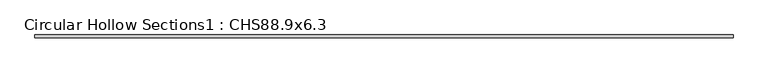
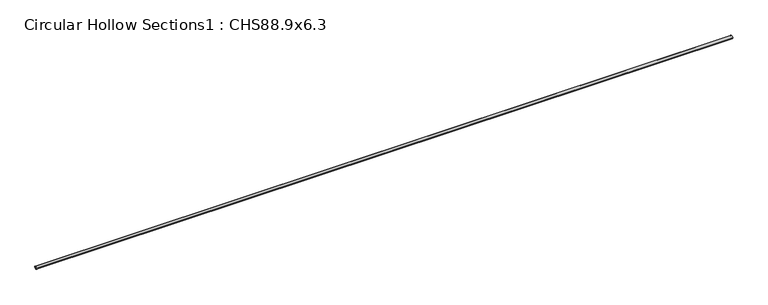
"""IFC4 building model written with IfcOpenShell, lengths in millimetres: beam geometry, Circular Hollow Sections1 : CHS88.9x6.3."""

from ifc_helpers import new_model, si_unit, point, frame, origin, origin_2d, place, context, project, spatial, circle_curve, trimmed, segment, composite_curve, outline, extrude, source, transform, mapped, element, save


def circular_hollow_sections1_chs88_9x6_3_8f8559a8(model_context):
    return source(origin(), model_context, "Body", "SweptSolid", [
        extrude(outline(composite_curve([segment(trimmed(circle_curve(origin_2d(), 44.45), [point((-44.45, 0.0))], [point((44.45, 0.0))], False, "CARTESIAN"), True, "CONTINUOUS"), segment(trimmed(circle_curve(origin_2d(), 44.45), [point((44.45, 0.0))], [point((-44.45, 0.0))], False, "CARTESIAN"), True, "CONTINUOUS")], self_intersect=False), holes=[composite_curve([segment(trimmed(circle_curve(origin_2d(), 38.15), [point((38.15, 0.0))], [point((-38.15, 0.0))], True, "CARTESIAN"), True, "CONTINUOUS"), segment(trimmed(circle_curve(origin_2d(), 38.15), [point((-38.15, 0.0))], [point((38.15, 0.0))], True, "CARTESIAN"), True, "CONTINUOUS")], self_intersect=False)]), frame((-11250.0, 0.0, 0.0), z_axis=(1.0, 0.0, 0.0), x_axis=(0.0, 1.0, 0.0)), (0.0, 0.0, 1.0), 22403.15),
    ])


if __name__ == "__main__":
    model = new_model("IFC4")
    model_context = context("Model", 3, world=origin())
    ifc_project = project(units=[si_unit("LENGTHUNIT", "METRE", prefix="MILLI")], contexts=[model_context])
    site = spatial("IfcSite", under=ifc_project)
    building = spatial("IfcBuilding", under=site)
    placement = place(None, origin())
    circular_hollow_sections1_chs88_9x6_3_shape = circular_hollow_sections1_chs88_9x6_3_8f8559a8(model_context)
    element("IfcBeam", 1, ObjectType="Circular Hollow Sections1 : CHS88.9x6.3", at=placement, inside=building, context=model_context, shape_type="MappedRepresentation", body=[
        mapped(circular_hollow_sections1_chs88_9x6_3_shape, transform((0.0, 0.0, 0.0), x_axis=(1.0, 0.0, 0.0), y_axis=(0.0, 1.0, 0.0), z_axis=(0.0, 0.0, 1.0))),
    ])
    save(model, "model.ifc")
